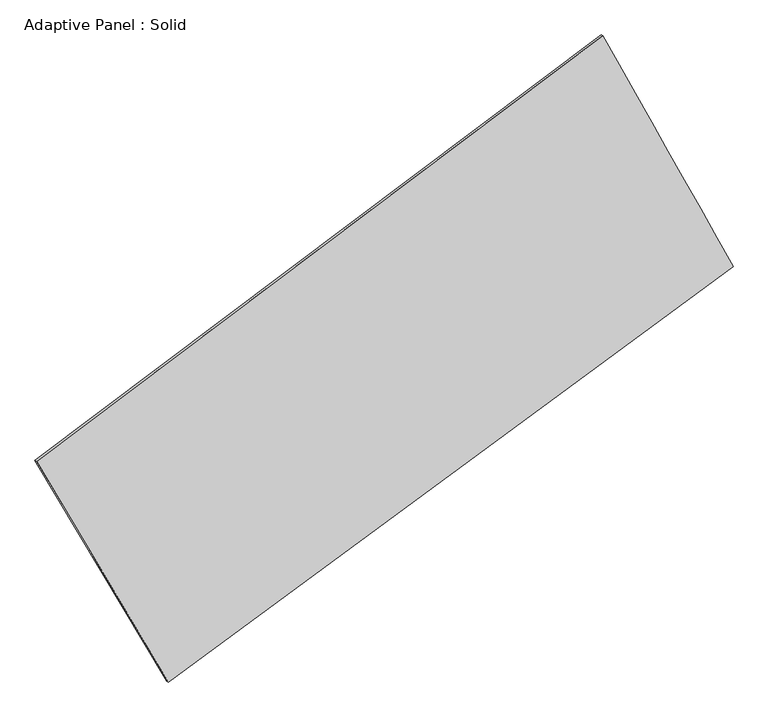
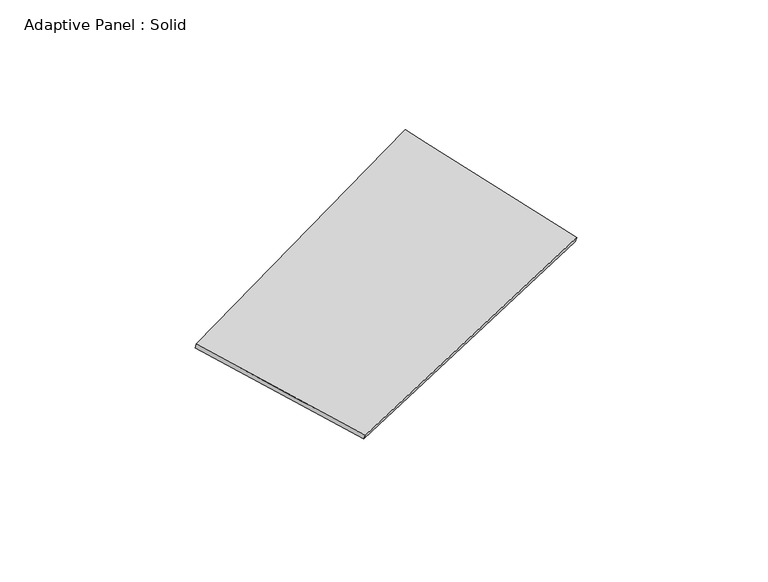
"""IFC4 building model written with IfcOpenShell, lengths in millimetres: plate geometry, Adaptive Panel : Solid."""

import ifcopenshell
import ifcopenshell.guid

model = None  # the IFC model being written
_history = None  # IfcOwnerHistory: only IFC2X3 demands one
_inside = {}  # id of a spatial element -> (the spatial element, [elements in it])
_under = {}  # id of a project, library or spatial element -> (it, [spatial elements below it])
_declared = {}  # id of a project -> (the project, [libraries it declares])
_typed = {}  # id of a type object -> (the type object, [elements of that type])
_made_of = {}  # id of a material, layer set ... -> (it, [elements and type objects made of it])


def new_model(schema):
    """Start an empty IFC model of exactly this schema.

    Asked for "IFC4X3", IfcOpenShell would pick the latest addendum, in which some entities
    have other attributes; the version numbers below select the first issue.
    IFC2X3 requires an IfcOwnerHistory on every rooted entity: one is made here for all.
    """
    global model, _history
    if schema == "IFC4X3":
        model = ifcopenshell.file(schema_version=(4, 3, 0, 0))
    else:
        model = ifcopenshell.file(schema=schema)
    _inside.clear()
    _under.clear()
    _declared.clear()
    _typed.clear()
    _made_of.clear()
    _history = None
    if model.schema == "IFC2X3":
        org = make("IfcOrganization", Name="unknown")
        user = make(
            "IfcPersonAndOrganization",
            ThePerson=make("IfcPerson", FamilyName="unknown"),
            TheOrganization=org,
        )
        app = make(
            "IfcApplication",
            ApplicationDeveloper=org,
            Version="unknown",
            ApplicationFullName="unknown",
            ApplicationIdentifier="unknown",
        )
        _history = make(
            "IfcOwnerHistory",
            OwningUser=user,
            OwningApplication=app,
            ChangeAction="ADDED",
            CreationDate=0,
        )
    return model


def make(cls, **values):
    """One entity of the class cls with the attributes given. An attribute that is None is left unset."""
    return model.create_entity(
        cls, **{name: value for name, value in values.items() if value is not None}
    )


def rooted(cls, **values):
    """An entity with a GlobalId (a new one), such as an element, a storey or a relation."""
    return make(cls, GlobalId=ifcopenshell.guid.new(), OwnerHistory=_history, **values)


def si_unit(unit_type, name, prefix=None):
    """IfcSIUnit, for example si_unit("LENGTHUNIT", "METRE", prefix="MILLI")."""
    return make("IfcSIUnit", UnitType=unit_type, Prefix=prefix, Name=name)


def assignment(units):
    """IfcUnitAssignment: the units of a project."""
    return None if units is None else make("IfcUnitAssignment", Units=units)


def point(xyz):
    """IfcCartesianPoint."""
    return None if xyz is None else make("IfcCartesianPoint", Coordinates=xyz)


def direction(xyz):
    """IfcDirection."""
    return None if xyz is None else make("IfcDirection", DirectionRatios=xyz)


def frame(location, z_axis=None, x_axis=None):
    """IfcAxis2Placement3D, a coordinate frame: its origin and axes. An axis left out is left unset."""
    return make(
        "IfcAxis2Placement3D",
        Location=point(location),
        Axis=direction(z_axis),
        RefDirection=direction(x_axis),
    )


def origin():
    """The frame at (0, 0, 0) with its axes left unset."""
    return frame((0.0, 0.0, 0.0))


def place(relative_to, where):
    """IfcLocalPlacement: puts the frame where relative to a parent placement (None: the world)."""
    return make(
        "IfcLocalPlacement", PlacementRelTo=relative_to, RelativePlacement=where
    )


def context(
    kind, dimensions, precision=None, world=None, true_north=None, identifier=None
):
    """IfcGeometricRepresentationContext, for example the 3D "Model" context."""
    return make(
        "IfcGeometricRepresentationContext",
        ContextIdentifier=identifier,
        ContextType=kind,
        CoordinateSpaceDimension=dimensions,
        Precision=precision,
        WorldCoordinateSystem=world,
        TrueNorth=true_north,
    )


def project(units=None, contexts=None):
    """IfcProject with its units and contexts."""
    return rooted(
        "IfcProject",
        Name="project",
        RepresentationContexts=contexts,
        UnitsInContext=assignment(units),
    )


def spatial(cls, under=None, at=None, **own):
    """A site, building, storey or space (cls), placed at a placement, below another one or the project."""
    s = rooted(cls, ObjectPlacement=at, **own)
    if under is not None:
        _under.setdefault(under.id(), (under, []))[1].append(s)
    return s


def shape(context_of_items, identifier, shape_type, items):
    """IfcShapeRepresentation: the items that make up one representation, for example the "Body"."""
    return make(
        "IfcShapeRepresentation",
        ContextOfItems=context_of_items,
        RepresentationIdentifier=identifier,
        RepresentationType=shape_type,
        Items=items,
    )


def source(mapping_origin, context_of_items, identifier, shape_type, items):
    """IfcRepresentationMap: a shape defined once, which mapped items show again and again."""
    return make(
        "IfcRepresentationMap",
        MappingOrigin=mapping_origin,
        MappedRepresentation=shape(context_of_items, identifier, shape_type, items),
    )


def transform(
    local_origin,
    x_axis=None,
    y_axis=None,
    z_axis=None,
    scale=None,
    scale2=None,
    scale3=None,
    uniform=True,
):
    """IfcCartesianTransformationOperator3D, or its non-uniform kind. x_axis, y_axis, z_axis: its Axis1, 2, 3."""
    if uniform:
        return make(
            "IfcCartesianTransformationOperator3D",
            Axis1=direction(x_axis),
            Axis2=direction(y_axis),
            LocalOrigin=point(local_origin),
            Scale=scale,
            Axis3=direction(z_axis),
        )
    return make(
        "IfcCartesianTransformationOperator3DnonUniform",
        Axis1=direction(x_axis),
        Axis2=direction(y_axis),
        LocalOrigin=point(local_origin),
        Scale=scale,
        Axis3=direction(z_axis),
        Scale2=scale2,
        Scale3=scale3,
    )


def mapped(mapping_source, mapping_target):
    """IfcMappedItem: shows the shape of a source again, moved by a transform."""
    return make(
        "IfcMappedItem", MappingSource=mapping_source, MappingTarget=mapping_target
    )


def made_of(thing, what):
    """Note that an element or type object is made of a material, layer set ...; save() writes the relation."""
    if what is not None:
        _made_of.setdefault(what.id(), (what, []))[1].append(thing)
    return thing


def element(
    cls,
    number,
    at=None,
    inside=None,
    cuts=None,
    type_object=None,
    material=None,
    context=None,
    identifier="Body",
    shape_type=None,
    held_by="IfcProductDefinitionShape",
    body=None,
    shapes=None,
    **own,
):
    """One element of the class cls, such as IfcWall. Its Tag is "e" and its number.

    at: its placement. inside: the storey or other place that contains it. cuts: it is an
    opening in that element (IfcRelVoidsElement). A single representation is given by context,
    identifier, shape_type and body (its items); several are given by shapes. held_by: the class
    of the entity that holds the representations. save() writes the other relations.
    """
    e = rooted(cls, Tag="e%d" % number, ObjectPlacement=at, **own)
    if body is not None:
        shapes = [shape(context, identifier, shape_type, body)]
    if shapes is not None:
        e.Representation = make(held_by, Representations=shapes)
    if inside is not None:
        _inside.setdefault(inside.id(), (inside, []))[1].append(e)
    if cuts is not None:
        rooted(
            "IfcRelVoidsElement", RelatingBuildingElement=cuts, RelatedOpeningElement=e
        )
    if type_object is not None:
        _typed.setdefault(type_object.id(), (type_object, []))[1].append(e)
    return made_of(e, material)


def aggregate(whole, parts):
    """IfcRelAggregates: a whole, such as a stair, and the parts it consists of."""
    return rooted("IfcRelAggregates", RelatingObject=whole, RelatedObjects=parts)


def save(model, path):
    """Write the relations noted so far, then the file.

    IfcRelAggregates (storeys below a building ...), IfcRelContainedInSpatialStructure (elements
    in a storey), IfcRelDefinesByType, IfcRelAssociatesMaterial and IfcRelDeclares: one each for
    every whole, place, type object, material and project.
    """
    for whole, parts in _under.values():
        aggregate(whole, parts)
    for where, things in _inside.values():
        rooted(
            "IfcRelContainedInSpatialStructure",
            RelatedElements=things,
            RelatingStructure=where,
        )
    for kind, things in _typed.values():
        rooted("IfcRelDefinesByType", RelatedObjects=things, RelatingType=kind)
    for what, things in _made_of.values():
        rooted("IfcRelAssociatesMaterial", RelatedObjects=things, RelatingMaterial=what)
    for by, libraries in _declared.values():
        rooted("IfcRelDeclares", RelatingContext=by, RelatedDefinitions=libraries)
    model.write(path)


def plane_surface(at):
    """IfcPlane: the flat surface through the origin of the frame at, square to its z axis."""
    return make("IfcPlane", Position=at)


def spline_surface(u_degree, v_degree, points, u_multiplicities, v_multiplicities, u_knots, v_knots, weights=None):
    """IfcBSplineSurfaceWithKnots; with weights, IfcRationalBSplineSurfaceWithKnots. points: one row for each step in u."""
    own = dict(
        UDegree=u_degree,
        VDegree=v_degree,
        ControlPointsList=[[point(p) for p in row] for row in points],
        SurfaceForm="UNSPECIFIED",
        UClosed=False,
        VClosed=False,
        SelfIntersect=False,
        UMultiplicities=u_multiplicities,
        VMultiplicities=v_multiplicities,
        UKnots=u_knots,
        VKnots=v_knots,
        KnotSpec="UNSPECIFIED",
    )
    if weights is None:
        return make("IfcBSplineSurfaceWithKnots", **own)
    return make("IfcRationalBSplineSurfaceWithKnots", WeightsData=weights, **own)


def advanced_brep(points, edges, surfaces, faces):
    """IfcAdvancedBrep: a solid bounded by faces that lie on surfaces and meet in shared edges.

    An edge is (start, end): straight between two places in points (the first is 0);
    or (start, end, curve); or (start, end, curve, False) where it runs against its curve.
    A face is (place in surfaces, loops), or (place, loops, False) where it looks against
    its surface's normal. A loop lists edges by number (the first is 1), with a minus sign
    where the edge is run from its end to its start. The first loop is the outer one.
    """
    corners = [point(p) for p in points]
    vertices = [make("IfcVertexPoint", VertexGeometry=c) for c in corners]
    made = []
    for start, end, *more in edges:
        made.append(
            make(
                "IfcEdgeCurve",
                EdgeStart=vertices[start],
                EdgeEnd=vertices[end],
                EdgeGeometry=more[0] if more else make("IfcPolyline", Points=[corners[start], corners[end]]),
                SameSense=more[1] if len(more) > 1 else True,
            )
        )
    hull = []
    for where, loops, *sense in faces:
        bounds = []
        for j, loop in enumerate(loops):
            ring = [make("IfcOrientedEdge", EdgeElement=made[abs(k) - 1], Orientation=k > 0) for k in loop]
            bounds.append(
                make(
                    "IfcFaceOuterBound" if j == 0 else "IfcFaceBound",
                    Bound=make("IfcEdgeLoop", EdgeList=ring),
                    Orientation=True,
                )
            )
        hull.append(make("IfcAdvancedFace", Bounds=bounds, FaceSurface=surfaces[where], SameSense=sense[0] if sense else True))
    return make("IfcAdvancedBrep", Outer=make("IfcClosedShell", CfsFaces=hull))


def adaptive_panel_solid_d61b6c90(model_context):
    return source(origin(), model_context, "Body", "AdvancedBrep", [
        advanced_brep(
        [(1160.1999945, 2612.6665395, 716.2432872), (-3551.7462365, -932.5032912, 1614.9947949), (-3537.0798806, -938.8833847, 1662.3677029), (1174.8663504, 2606.286446, 763.6161952), (-2456.4003892, -2771.3466293, 1112.9452799), (-2441.7340334, -2777.7267227, 1160.3181879), (2244.656053, 690.9348082, 40.9391583), (2259.3224088, 684.5547147, 88.3120663)],
        [
            (0, 1),
            (1, 2),
            (2, 3),
            (3, 0),
            (1, 4),
            (4, 5),
            (5, 2),
            (4, 6),
            (6, 7),
            (7, 5),
            (6, 0),
            (3, 7),
        ],
        [
            plane_surface(frame((-1195.773121, 840.0816241, 1165.619041), z_axis=(-0.543943792333868, 0.7927230936697655, 0.27516403751959734), x_axis=(-0.789963441198041, -0.5943519772437862, 0.1506767690022299))),
            plane_surface(frame((-3004.0733128, -1851.9249602, 1363.9700374), z_axis=(-0.8221678262195675, -0.5394026914823391, 0.18189228117487558), x_axis=(0.49823557465756874, -0.8364272978458197, -0.2283652503424783))),
            plane_surface(frame((-105.8721681, -1040.2059106, 576.9422191), z_axis=(0.5296214516673654, -0.8033846468213511, -0.2721658082593876), x_axis=(0.7919521655856556, 0.5832649141669982, -0.18059293265782803))),
            plane_surface(frame((1702.4280238, 1651.8006738, 378.5912227), z_axis=(0.8268151383848766, 0.5313843492105605, -0.1844109550749808), x_axis=(-0.46994465144611247, 0.8327746814813559, 0.2926403158500519))),
            spline_surface(1, 1, [[(-3537.0798806, -938.8833847, 1662.3677029), (1174.8663504, 2606.286446, 763.6161952)], [(-2441.7340334, -2777.7267227, 1160.3181879), (2259.3224088, 684.5547147, 88.3120663)]], [2, 2], [2, 2], [0.0, 1.0], [0.0, 1.0]),
            spline_surface(1, 1, [[(2244.656053, 690.9348082, 40.9391583), (1160.1999945, 2612.6665395, 716.2432872)], [(-2456.4003892, -2771.3466293, 1112.9452799), (-3551.7462365, -932.5032912, 1614.9947949)]], [2, 2], [2, 2], [0.0, 1.0], [0.0, 1.0]),
        ],
        [
            (0, [[1, 2, 3, 4]]),
            (1, [[5, 6, 7, -2]]),
            (2, [[8, 9, 10, -6]]),
            (3, [[11, -4, 12, -9]]),
            (4, [[-3, -7, -10, -12]]),
            (5, [[-11, -8, -5, -1]]),
        ],
    ),
    ])


if __name__ == "__main__":
    model = new_model("IFC4")
    model_context = context("Model", 3, world=origin())
    ifc_project = project(units=[si_unit("LENGTHUNIT", "METRE", prefix="MILLI")], contexts=[model_context])
    site = spatial("IfcSite", under=ifc_project)
    building = spatial("IfcBuilding", under=site)
    placement = place(None, origin())
    adaptive_panel_solid_shape = adaptive_panel_solid_d61b6c90(model_context)
    element("IfcPlate", 1, ObjectType="Adaptive Panel : Solid", at=placement, inside=building, context=model_context, shape_type="MappedRepresentation", body=[
        mapped(adaptive_panel_solid_shape, transform((0.0, 0.0, 0.0), x_axis=(1.0, 0.0, 0.0), y_axis=(0.0, 1.0, 0.0), z_axis=(0.0, 0.0, 1.0))),
    ])
    save(model, "model.ifc")
